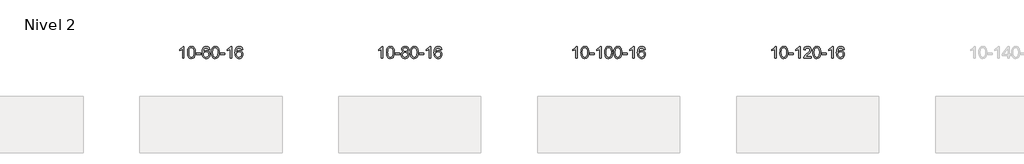
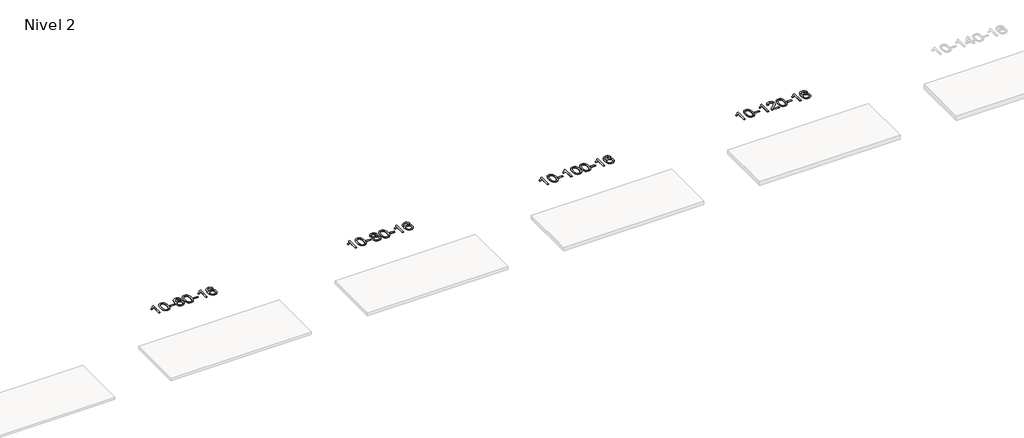
# One storey, part 49 of 51: 4 proxies.
"""IFC4 building model written with IfcOpenShell, lengths in millimetres."""

from ifc_helpers import new_model, si_unit, frame, origin, place, context, project, spatial, polyline, outline, extrude, element, save

model = new_model("IFC4")

# Units and contexts
model_context = context("Model", 3, world=origin())
ifc_project = project(units=[si_unit("LENGTHUNIT", "METRE", prefix="MILLI")], contexts=[model_context])

# Site, building, storey
site = spatial("IfcSite", under=ifc_project)
building = spatial("IfcBuilding", under=site)
storey = spatial("IfcBuildingStorey", under=building, Name="Nivel 2", Elevation=3000.0)

# Proxies
placement = place(None, origin())
element("IfcBuildingElementProxy", 1, Name="Texto de modelo 1", ObjectType="Texto de modelo 1", at=placement, inside=storey, context=model_context, shape_type="SweptSolid", body=[
    extrude(outline(polyline([(4824.6154698, 6619.2174648), (4774.3873148, 6619.2174648), (4774.3873148, 6932.3586191), (4753.418041, 6915.3992591), (4726.80791, 6898.4644246), (4673.9310046, 6873.1050924), (4673.9310046, 6920.5863952), (4713.3802172, 6942.0461783), (4747.5564546, 6967.5771887), (4774.4976794, 6994.72688), (4792.2418543, 7021.0427054), (4824.6154698, 7021.0427054), (4824.6154698, 6619.2174648)])), frame((0.0, 0.0, 3000.0), z_axis=(0.0, 0.0, 1.0), x_axis=(1.0, 0.0, 0.0)), (0.0, 0.0, 1.0), 10.0),
    extrude(outline(polyline([(4943.9073381, 6816.8927235), (4947.5984208, 6881.210759), (4958.6716689, 6932.5057719), (4977.0167177, 6971.562577), (4988.8747807, 6986.7959573), (5002.5232027, 6999.1659894), (5018.007969, 7008.7370526), (5035.3750649, 7015.5735264), (5075.7562452, 7021.0427054), (5106.7073837, 7017.8053438), (5134.4211607, 7008.0932591), (5157.5977264, 6992.2865961), (5174.9372311, 6970.7654994), (5188.0338301, 6943.71391), (5198.4816788, 6911.3157689), (5205.3242839, 6870.1742991), (5207.6051523, 6816.8927235), (5203.9508578, 6752.94257), (5192.9879743, 6701.7701845), (5174.7532901, 6662.6765911), (5162.9228183, 6647.3972256), (5149.2835933, 6634.9628142), (5133.7804329, 6625.3273716), (5116.3581547, 6618.4449126), (5075.7562452, 6612.9389454), (5048.0915192, 6615.3301783), (5023.5660528, 6622.5038773), (5002.1798462, 6634.4600421), (4983.9328992, 6651.1986729), (4966.4217162, 6681.456967), (4953.9137284, 6719.1587401), (4946.4089357, 6764.3039923), (4943.9073381, 6816.8927235)]), holes=[polyline([(4994.1354932, 6816.9908254), (4995.6070212, 6773.3262982), (5000.0216051, 6737.9820355), (5007.379245, 6710.9580373), (5017.6799409, 6692.2543035), (5030.1388778, 6679.5286522), (5043.9712408, 6670.4389012), (5059.17703, 6664.9850506), (5075.7562452, 6663.1671005), (5092.3354605, 6664.991182), (5107.5412496, 6670.4634267), (5121.3736126, 6679.5838345), (5133.8325495, 6692.3524054), (5144.1332454, 6711.086796), (5151.4908853, 6738.1046629), (5155.9054692, 6773.406006), (5157.3769972, 6816.9908254), (5155.9545202, 6859.4995899), (5151.687089, 6894.2215189), (5144.5747038, 6921.1566123), (5134.6173644, 6940.3048702), (5122.366894, 6953.6528552), (5108.3751154, 6963.1871303), (5092.6420288, 6968.9076953), (5075.167634, 6970.8145503), (5058.6742579, 6969.1345558), (5043.7259862, 6964.0945725), (5030.3228188, 6955.6946003), (5018.4647558, 6943.9346392), (5007.8207034, 6923.0879928), (5000.2178089, 6894.9818083), (4995.6560721, 6859.6160859), (4994.1354932, 6816.9908254)])]), frame((0.0, 0.0, 3000.0), z_axis=(0.0, 0.0, 1.0), x_axis=(1.0, 0.0, 0.0)), (0.0, 0.0, 1.0), 10.0),
    extrude(outline(polyline([(5238.9977492, 6738.5093331), (5238.9977492, 6788.7374881), (5395.9607338, 6788.7374881), (5395.9607338, 6738.5093331), (5238.9977492, 6738.5093331)])), frame((0.0, 0.0, 3000.0), z_axis=(0.0, 0.0, 1.0), x_axis=(1.0, 0.0, 0.0)), (0.0, 0.0, 1.0), 10.0),
    extrude(outline(polyline([(5697.3296643, 6914.3078758), (5647.1015092, 6908.0293564), (5639.0081053, 6932.9227048), (5628.0697473, 6949.918853), (5605.2855891, 6965.590626), (5577.7434904, 6970.8145503), (5554.3952464, 6967.7733925), (5532.4204286, 6958.649919), (5513.5480822, 6939.4342161), (5498.1338266, 6912.9835006), (5487.7227661, 6875.5699017), (5483.8600052, 6823.4655485), (5504.0076758, 6846.973208), (5528.1529974, 6863.5401605), (5554.9470694, 6873.3626098), (5583.0409911, 6876.6367595), (5607.17405, 6874.3988107), (5629.4431734, 6867.6849643), (5649.8483614, 6856.4952203), (5668.389614, 6840.8295787), (5683.7977382, 6821.6200071), (5694.8035412, 6799.7984735), (5701.407023, 6775.3649776), (5703.6081836, 6748.3195196), (5699.4633798, 6712.3529232), (5687.0289684, 6679.0105517), (5667.3350189, 6650.732689), (5641.411601, 6629.959619), (5610.435937, 6617.1941138), (5575.5852493, 6612.9389454), (5545.6427206, 6615.759374), (5518.6003283, 6624.2206599), (5494.4580723, 6638.322803), (5473.2159528, 6658.0658035), (5455.8979079, 6684.283527), (5443.5278758, 6717.8098395), (5436.1058565, 6758.6447409), (5433.6318501, 6806.7882314), (5436.3787023, 6860.7626514), (5444.619259, 6906.8276086), (5458.3535202, 6944.9831029), (5477.5814858, 6975.2291342), (5498.4220008, 6995.2725716), (5522.5857165, 7009.5893126), (5550.072633, 7018.1793572), (5580.88275, 7021.0427054), (5604.0163962, 7019.2707404), (5624.9550131, 7013.9548456), (5643.6986007, 7005.0950209), (5660.2471591, 6992.6912663), (5674.1530986, 6977.1605147), (5684.9688292, 6958.9196991), (5692.6943511, 6937.9688195), (5697.3296643, 6914.3078758)]), holes=[polyline([(5483.8600052, 6749.1043345), (5486.7662729, 6726.8474738), (5495.4850762, 6705.5961572), (5509.0231337, 6687.3246848), (5526.3871638, 6674.0073566), (5547.3441748, 6665.8771645), (5571.6611747, 6663.1671005), (5604.8073425, 6668.7834322), (5618.7224789, 6675.803847), (5630.8656505, 6685.6324276), (5640.7156909, 6697.8706353), (5647.751434, 6712.1199313), (5653.3800286, 6746.6517879), (5647.8250104, 6779.7979557), (5640.8812378, 6793.4187865), (5631.1599561, 6805.0714487), (5618.9799963, 6814.4064544), (5604.6601897, 6821.0743155), (5569.6010355, 6826.4086044), (5536.5039187, 6821.0743155), (5508.8269299, 6805.0714487), (5497.9039004, 6793.5720707), (5490.1017364, 6780.4110923), (5485.420438, 6765.5885136), (5483.8600052, 6749.1043345)])]), frame((0.0, 0.0, 3000.0), z_axis=(0.0, 0.0, 1.0), x_axis=(1.0, 0.0, 0.0)), (0.0, 0.0, 1.0), 10.0),
    extrude(outline(polyline([(5747.5578193, 6816.8927235), (5751.248902, 6881.210759), (5762.3221501, 6932.5057719), (5780.6671989, 6971.562577), (5792.5252619, 6986.7959573), (5806.1736839, 6999.1659894), (5821.6584502, 7008.7370526), (5839.0255461, 7015.5735264), (5879.4067264, 7021.0427054), (5910.3578649, 7017.8053438), (5938.0716419, 7008.0932591), (5961.2482076, 6992.2865961), (5978.5877123, 6970.7654994), (5991.6843113, 6943.71391), (6002.13216, 6911.3157689), (6008.9747651, 6870.1742991), (6011.2556335, 6816.8927235), (6007.601339, 6752.94257), (5996.6384555, 6701.7701845), (5978.4037713, 6662.6765911), (5966.5732995, 6647.3972256), (5952.9340745, 6634.9628142), (5937.4309141, 6625.3273716), (5920.0086359, 6618.4449126), (5879.4067264, 6612.9389454), (5851.7420004, 6615.3301783), (5827.216534, 6622.5038773), (5805.8303274, 6634.4600421), (5787.5833804, 6651.1986729), (5770.0721974, 6681.456967), (5757.5642096, 6719.1587401), (5750.0594169, 6764.3039923), (5747.5578193, 6816.8927235)]), holes=[polyline([(5797.7859744, 6816.9908254), (5799.2575024, 6773.3262982), (5803.6720863, 6737.9820355), (5811.0297262, 6710.9580373), (5821.3304221, 6692.2543035), (5833.789359, 6679.5286522), (5847.621722, 6670.4389012), (5862.8275112, 6664.9850506), (5879.4067264, 6663.1671005), (5895.9859417, 6664.991182), (5911.1917308, 6670.4634267), (5925.0240938, 6679.5838345), (5937.4830307, 6692.3524054), (5947.7837266, 6711.086796), (5955.1413665, 6738.1046629), (5959.5559504, 6773.406006), (5961.0274784, 6816.9908254), (5959.6050014, 6859.4995899), (5955.3375702, 6894.2215189), (5948.225185, 6921.1566123), (5938.2678456, 6940.3048702), (5926.0173752, 6953.6528552), (5912.0255966, 6963.1871303), (5896.29251, 6968.9076953), (5878.8181152, 6970.8145503), (5862.3247391, 6969.1345558), (5847.3764674, 6964.0945725), (5833.9733, 6955.6946003), (5822.115237, 6943.9346392), (5811.4711846, 6923.0879928), (5803.8682901, 6894.9818083), (5799.3065533, 6859.6160859), (5797.7859744, 6816.9908254)])]), frame((0.0, 0.0, 3000.0), z_axis=(0.0, 0.0, 1.0), x_axis=(1.0, 0.0, 0.0)), (0.0, 0.0, 1.0), 10.0),
    extrude(outline(polyline([(6042.6482304, 6738.5093331), (6042.6482304, 6788.7374881), (6199.611215, 6788.7374881), (6199.611215, 6738.5093331), (6042.6482304, 6738.5093331)])), frame((0.0, 0.0, 3000.0), z_axis=(0.0, 0.0, 1.0), x_axis=(1.0, 0.0, 0.0)), (0.0, 0.0, 1.0), 10.0),
    extrude(outline(polyline([(6431.9164322, 6619.2174648), (6381.6882771, 6619.2174648), (6381.6882771, 6932.3586191), (6360.7190034, 6915.3992591), (6334.1088724, 6898.4644246), (6281.231967, 6873.1050924), (6281.231967, 6920.5863952), (6320.6811796, 6942.0461783), (6354.857417, 6967.5771887), (6381.7986417, 6994.72688), (6399.5428166, 7021.0427054), (6431.9164322, 7021.0427054), (6431.9164322, 6619.2174648)])), frame((0.0, 0.0, 3000.0), z_axis=(0.0, 0.0, 1.0), x_axis=(1.0, 0.0, 0.0)), (0.0, 0.0, 1.0), 10.0),
    extrude(outline(polyline([(6808.6275953, 6914.3078758), (6758.3994402, 6908.0293564), (6750.3060363, 6932.9227048), (6739.3676783, 6949.918853), (6716.5835201, 6965.590626), (6689.0414214, 6970.8145503), (6665.6931774, 6967.7733925), (6643.7183596, 6958.649919), (6624.8460132, 6939.4342161), (6609.4317576, 6912.9835006), (6599.0206972, 6875.5699017), (6595.1579362, 6823.4655485), (6615.3056068, 6846.973208), (6639.4509284, 6863.5401605), (6666.2450004, 6873.3626098), (6694.3389221, 6876.6367595), (6718.471981, 6874.3988107), (6740.7411044, 6867.6849643), (6761.1462924, 6856.4952203), (6779.687545, 6840.8295787), (6795.0956692, 6821.6200071), (6806.1014723, 6799.7984735), (6812.7049541, 6775.3649776), (6814.9061147, 6748.3195196), (6810.7613109, 6712.3529232), (6798.3268994, 6679.0105517), (6778.6329499, 6650.732689), (6752.709532, 6629.959619), (6721.733868, 6617.1941138), (6686.8831803, 6612.9389454), (6656.9406516, 6615.759374), (6629.8982593, 6624.2206599), (6605.7560034, 6638.322803), (6584.5138838, 6658.0658035), (6567.1958389, 6684.283527), (6554.8258068, 6717.8098395), (6547.4037876, 6758.6447409), (6544.9297811, 6806.7882314), (6547.6766334, 6860.7626514), (6555.9171901, 6906.8276086), (6569.6514512, 6944.9831029), (6588.8794168, 6975.2291342), (6609.7199319, 6995.2725716), (6633.8836476, 7009.5893126), (6661.370564, 7018.1793572), (6692.1806811, 7021.0427054), (6715.3143272, 7019.2707404), (6736.2529441, 7013.9548456), (6754.9965318, 7005.0950209), (6771.5450902, 6992.6912663), (6785.4510296, 6977.1605147), (6796.2667602, 6958.9196991), (6803.9922821, 6937.9688195), (6808.6275953, 6914.3078758)]), holes=[polyline([(6595.1579362, 6749.1043345), (6598.064204, 6726.8474738), (6606.7830073, 6705.5961572), (6620.3210647, 6687.3246848), (6637.6850949, 6674.0073566), (6658.6421059, 6665.8771645), (6682.9591057, 6663.1671005), (6716.1052735, 6668.7834322), (6730.02041, 6675.803847), (6742.1635815, 6685.6324276), (6752.0136219, 6697.8706353), (6759.0493651, 6712.1199313), (6764.6779596, 6746.6517879), (6759.1229415, 6779.7979557), (6752.1791688, 6793.4187865), (6742.4578871, 6805.0714487), (6730.2779274, 6814.4064544), (6715.9581207, 6821.0743155), (6680.8989666, 6826.4086044), (6647.8018497, 6821.0743155), (6620.124861, 6805.0714487), (6609.2018314, 6793.5720707), (6601.3996674, 6780.4110923), (6596.718369, 6765.5885136), (6595.1579362, 6749.1043345)])]), frame((0.0, 0.0, 3000.0), z_axis=(0.0, 0.0, 1.0), x_axis=(1.0, 0.0, 0.0)), (0.0, 0.0, 1.0), 10.0),
])
element("IfcBuildingElementProxy", 2, Name="Texto de modelo 1", ObjectType="Texto de modelo 1", at=placement, inside=storey, context=model_context, shape_type="SweptSolid", body=[
    extrude(outline(polyline([(11539.5560047, 6619.2174648), (11489.3278496, 6619.2174648), (11489.3278496, 6932.3586191), (11468.3585759, 6915.3992591), (11441.7484449, 6898.4644246), (11388.8715394, 6873.1050924), (11388.8715394, 6920.5863952), (11428.320752, 6942.0461783), (11462.4969894, 6967.5771887), (11489.4382142, 6994.72688), (11507.1823891, 7021.0427054), (11539.5560047, 7021.0427054), (11539.5560047, 6619.2174648)])), frame((0.0, 0.0, 3000.0), z_axis=(0.0, 0.0, 1.0), x_axis=(1.0, 0.0, 0.0)), (0.0, 0.0, 1.0), 10.0),
    extrude(outline(polyline([(11658.847873, 6816.8927235), (11662.5389556, 6881.210759), (11673.6122037, 6932.5057719), (11691.9572525, 6971.562577), (11703.8153155, 6986.7959573), (11717.4637375, 6999.1659894), (11732.9485038, 7008.7370526), (11750.3155997, 7015.5735264), (11790.69678, 7021.0427054), (11821.6479186, 7017.8053438), (11849.3616955, 7008.0932591), (11872.5382612, 6992.2865961), (11889.8777659, 6970.7654994), (11902.974365, 6943.71391), (11913.4222136, 6911.3157689), (11920.2648187, 6870.1742991), (11922.5456871, 6816.8927235), (11918.8913926, 6752.94257), (11907.9285092, 6701.7701845), (11889.6938249, 6662.6765911), (11877.8633531, 6647.3972256), (11864.2241281, 6634.9628142), (11848.7209677, 6625.3273716), (11831.2986896, 6618.4449126), (11790.69678, 6612.9389454), (11763.032054, 6615.3301783), (11738.5065876, 6622.5038773), (11717.120381, 6634.4600421), (11698.873434, 6651.1986729), (11681.3622511, 6681.456967), (11668.8542632, 6719.1587401), (11661.3494705, 6764.3039923), (11658.847873, 6816.8927235)]), holes=[polyline([(11709.076028, 6816.9908254), (11710.547556, 6773.3262982), (11714.96214, 6737.9820355), (11722.3197799, 6710.9580373), (11732.6204757, 6692.2543035), (11745.0794126, 6679.5286522), (11758.9117756, 6670.4389012), (11774.1175648, 6664.9850506), (11790.69678, 6663.1671005), (11807.2759953, 6664.991182), (11822.4817844, 6670.4634267), (11836.3141474, 6679.5838345), (11848.7730843, 6692.3524054), (11859.0737802, 6711.086796), (11866.4314201, 6738.1046629), (11870.846004, 6773.406006), (11872.317532, 6816.9908254), (11870.895055, 6859.4995899), (11866.6276238, 6894.2215189), (11859.5152386, 6921.1566123), (11849.5578993, 6940.3048702), (11837.3074288, 6953.6528552), (11823.3156503, 6963.1871303), (11807.5825636, 6968.9076953), (11790.1081688, 6970.8145503), (11773.6147927, 6969.1345558), (11758.666521, 6964.0945725), (11745.2633536, 6955.6946003), (11733.4052906, 6943.9346392), (11722.7612383, 6923.0879928), (11715.1583437, 6894.9818083), (11710.5966069, 6859.6160859), (11709.076028, 6816.9908254)])]), frame((0.0, 0.0, 3000.0), z_axis=(0.0, 0.0, 1.0), x_axis=(1.0, 0.0, 0.0)), (0.0, 0.0, 1.0), 10.0),
    extrude(outline(polyline([(11953.938284, 6738.5093331), (11953.938284, 6788.7374881), (12110.9012686, 6788.7374881), (12110.9012686, 6738.5093331), (11953.938284, 6738.5093331)])), frame((0.0, 0.0, 3000.0), z_axis=(0.0, 0.0, 1.0), x_axis=(1.0, 0.0, 0.0)), (0.0, 0.0, 1.0), 10.0),
    extrude(outline(polyline([(12228.0348959, 6840.5352731), (12201.142722, 6853.7790249), (12182.2703757, 6871.7316663), (12171.1235512, 6894.0253152), (12167.4079431, 6920.2920896), (12169.4312941, 6940.7769854), (12175.501347, 6959.5573612), (12185.6181019, 6976.6332172), (12199.7815587, 6992.0045532), (12217.3111357, 7004.7087448), (12237.5262514, 7013.7831673), (12260.4269056, 7019.2278209), (12286.0130983, 7021.0427054), (12311.7219184, 7019.1849013), (12334.7942509, 7013.6114891), (12355.2300957, 7004.3224687), (12373.0294529, 6991.3178402), (12387.4504271, 6975.6460672), (12397.751123, 6958.3556134), (12403.9315405, 6939.4464788), (12405.9916797, 6918.9186635), (12402.3251225, 6893.4980176), (12391.3254508, 6871.5845135), (12372.8700374, 6853.7422367), (12346.8362549, 6840.5352731), (12377.7506052, 6824.6059827), (12400.2527206, 6801.1473741), (12413.974719, 6771.2876188), (12418.5487185, 6736.1548883), (12416.2801128, 6711.1021244), (12409.4742959, 6688.1340252), (12398.1312677, 6667.2505906), (12382.2510283, 6648.4518206), (12362.6674434, 6632.9149377), (12340.214379, 6621.8171642), (12314.891835, 6615.1585001), (12286.6998114, 6612.9389454), (12258.5077878, 6615.1676971), (12233.1852438, 6621.8539524), (12210.7321794, 6632.9977112), (12191.1485945, 6648.5989734), (12175.2683551, 6667.5295678), (12163.9253269, 6688.6613227), (12157.11951, 6711.9942383), (12154.8509043, 6737.5283144), (12159.6088448, 6774.0222083), (12173.8826662, 6804.0413791), (12196.9366046, 6826.5557572), (12228.0348959, 6840.5352731)]), holes=[polyline([(12217.6360982, 6918.8205616), (12222.0874703, 6896.8947947), (12235.4415867, 6879.3836118), (12257.30604, 6867.9056935), (12287.2884226, 6864.0797208), (12316.5718294, 6867.881168), (12338.1051889, 6879.2855099), (12351.3489407, 6896.2080817), (12355.7635246, 6916.5642187), (12351.2017879, 6937.692908), (12337.5165777, 6955.1673028), (12315.6889126, 6966.9027384), (12286.6998114, 6970.8145503), (12257.5267692, 6966.9885775), (12235.7358923, 6955.5106593), (12222.1610467, 6938.6861894), (12217.6360982, 6918.8205616)]), polyline([(12205.0790594, 6739.294148), (12207.1759868, 6720.0784451), (12213.4667689, 6701.4758789), (12225.0795772, 6685.2522829), (12243.1425832, 6673.1734907), (12264.7740445, 6665.668698), (12287.0922189, 6663.1671005), (12321.2807189, 6668.427813), (12335.1743956, 6675.0037036), (12346.9343567, 6684.2099506), (12362.9740117, 6708.1100175), (12368.3205634, 6737.7245181), (12362.8023335, 6767.8417908), (12346.2476437, 6792.2691553), (12334.1688515, 6801.7114598), (12320.0053947, 6808.4559631), (12285.4244871, 6813.8515657), (12251.7142337, 6808.5295395), (12237.9769068, 6801.8770067), (12226.3181133, 6792.5634609), (12210.3888229, 6768.6020803), (12205.0790594, 6739.294148)])]), frame((0.0, 0.0, 3000.0), z_axis=(0.0, 0.0, 1.0), x_axis=(1.0, 0.0, 0.0)), (0.0, 0.0, 1.0), 10.0),
    extrude(outline(polyline([(12462.4983542, 6816.8927235), (12466.1894368, 6881.210759), (12477.2626849, 6932.5057719), (12495.6077337, 6971.562577), (12507.4657967, 6986.7959573), (12521.1142187, 6999.1659894), (12536.598985, 7008.7370526), (12553.9660809, 7015.5735264), (12594.3472612, 7021.0427054), (12625.2983998, 7017.8053438), (12653.0121767, 7008.0932591), (12676.1887424, 6992.2865961), (12693.5282471, 6970.7654994), (12706.6248462, 6943.71391), (12717.0726948, 6911.3157689), (12723.9152999, 6870.1742991), (12726.1961683, 6816.8927235), (12722.5418738, 6752.94257), (12711.5789904, 6701.7701845), (12693.3443061, 6662.6765911), (12681.5138343, 6647.3972256), (12667.8746093, 6634.9628142), (12652.3714489, 6625.3273716), (12634.9491708, 6618.4449126), (12594.3472612, 6612.9389454), (12566.6825352, 6615.3301783), (12542.1570688, 6622.5038773), (12520.7708622, 6634.4600421), (12502.5239152, 6651.1986729), (12485.0127323, 6681.456967), (12472.5047444, 6719.1587401), (12464.9999517, 6764.3039923), (12462.4983542, 6816.8927235)]), holes=[polyline([(12512.7265092, 6816.9908254), (12514.1980372, 6773.3262982), (12518.6126212, 6737.9820355), (12525.9702611, 6710.9580373), (12536.2709569, 6692.2543035), (12548.7298938, 6679.5286522), (12562.5622568, 6670.4389012), (12577.768046, 6664.9850506), (12594.3472612, 6663.1671005), (12610.9264765, 6664.991182), (12626.1322656, 6670.4634267), (12639.9646286, 6679.5838345), (12652.4235655, 6692.3524054), (12662.7242614, 6711.086796), (12670.0819013, 6738.1046629), (12674.4964852, 6773.406006), (12675.9680132, 6816.9908254), (12674.5455362, 6859.4995899), (12670.278105, 6894.2215189), (12663.1657198, 6921.1566123), (12653.2083805, 6940.3048702), (12640.95791, 6953.6528552), (12626.9661315, 6963.1871303), (12611.2330448, 6968.9076953), (12593.75865, 6970.8145503), (12577.2652739, 6969.1345558), (12562.3170022, 6964.0945725), (12548.9138348, 6955.6946003), (12537.0557718, 6943.9346392), (12526.4117194, 6923.0879928), (12518.8088249, 6894.9818083), (12514.2470881, 6859.6160859), (12512.7265092, 6816.9908254)])]), frame((0.0, 0.0, 3000.0), z_axis=(0.0, 0.0, 1.0), x_axis=(1.0, 0.0, 0.0)), (0.0, 0.0, 1.0), 10.0),
    extrude(outline(polyline([(12757.5887652, 6738.5093331), (12757.5887652, 6788.7374881), (12914.5517498, 6788.7374881), (12914.5517498, 6738.5093331), (12757.5887652, 6738.5093331)])), frame((0.0, 0.0, 3000.0), z_axis=(0.0, 0.0, 1.0), x_axis=(1.0, 0.0, 0.0)), (0.0, 0.0, 1.0), 10.0),
    extrude(outline(polyline([(13146.856967, 6619.2174648), (13096.628812, 6619.2174648), (13096.628812, 6932.3586191), (13075.6595382, 6915.3992591), (13049.0494073, 6898.4644246), (12996.1725018, 6873.1050924), (12996.1725018, 6920.5863952), (13035.6217144, 6942.0461783), (13069.7979518, 6967.5771887), (13096.7391766, 6994.72688), (13114.4833515, 7021.0427054), (13146.856967, 7021.0427054), (13146.856967, 6619.2174648)])), frame((0.0, 0.0, 3000.0), z_axis=(0.0, 0.0, 1.0), x_axis=(1.0, 0.0, 0.0)), (0.0, 0.0, 1.0), 10.0),
    extrude(outline(polyline([(13523.5681301, 6914.3078758), (13473.339975, 6908.0293564), (13465.2465711, 6932.9227048), (13454.3082132, 6949.918853), (13431.5240549, 6965.590626), (13403.9819562, 6970.8145503), (13380.6337123, 6967.7733925), (13358.6588944, 6958.649919), (13339.7865481, 6939.4342161), (13324.3722925, 6912.9835006), (13313.961232, 6875.5699017), (13310.098471, 6823.4655485), (13330.2461416, 6846.973208), (13354.3914633, 6863.5401605), (13381.1855352, 6873.3626098), (13409.2794569, 6876.6367595), (13433.4125158, 6874.3988107), (13455.6816393, 6867.6849643), (13476.0868273, 6856.4952203), (13494.6280798, 6840.8295787), (13510.0362041, 6821.6200071), (13521.0420071, 6799.7984735), (13527.6454889, 6775.3649776), (13529.8466495, 6748.3195196), (13525.7018457, 6712.3529232), (13513.2674342, 6679.0105517), (13493.5734848, 6650.732689), (13467.6500668, 6629.959619), (13436.6744028, 6617.1941138), (13401.8237152, 6612.9389454), (13371.8811864, 6615.759374), (13344.8387941, 6624.2206599), (13320.6965382, 6638.322803), (13299.4544186, 6658.0658035), (13282.1363737, 6684.283527), (13269.7663416, 6717.8098395), (13262.3443224, 6758.6447409), (13259.870316, 6806.7882314), (13262.6171682, 6860.7626514), (13270.8577249, 6906.8276086), (13284.591986, 6944.9831029), (13303.8199517, 6975.2291342), (13324.6604667, 6995.2725716), (13348.8241824, 7009.5893126), (13376.3110988, 7018.1793572), (13407.1212159, 7021.0427054), (13430.254862, 7019.2707404), (13451.1934789, 7013.9548456), (13469.9370666, 7005.0950209), (13486.485625, 6992.6912663), (13500.3915644, 6977.1605147), (13511.2072951, 6958.9196991), (13518.932817, 6937.9688195), (13523.5681301, 6914.3078758)]), holes=[polyline([(13310.098471, 6749.1043345), (13313.0047388, 6726.8474738), (13321.7235421, 6705.5961572), (13335.2615995, 6687.3246848), (13352.6256297, 6674.0073566), (13373.5826407, 6665.8771645), (13397.8996406, 6663.1671005), (13431.0458083, 6668.7834322), (13444.9609448, 6675.803847), (13457.1041163, 6685.6324276), (13466.9541567, 6697.8706353), (13473.9898999, 6712.1199313), (13479.6184944, 6746.6517879), (13474.0634763, 6779.7979557), (13467.1197036, 6793.4187865), (13457.3984219, 6805.0714487), (13445.2184622, 6814.4064544), (13430.8986555, 6821.0743155), (13395.8395014, 6826.4086044), (13362.7423846, 6821.0743155), (13335.0653958, 6805.0714487), (13324.1423662, 6793.5720707), (13316.3402022, 6780.4110923), (13311.6589038, 6765.5885136), (13310.098471, 6749.1043345)])]), frame((0.0, 0.0, 3000.0), z_axis=(0.0, 0.0, 1.0), x_axis=(1.0, 0.0, 0.0)), (0.0, 0.0, 1.0), 10.0),
])
element("IfcBuildingElementProxy", 3, Name="Texto de modelo 1", ObjectType="Texto de modelo 1", at=placement, inside=storey, context=model_context, shape_type="SweptSolid", body=[
    extrude(outline(polyline([(18100.6728146, 6619.2174648), (18050.4446595, 6619.2174648), (18050.4446595, 6932.3586191), (18029.4753858, 6915.3992591), (18002.8652548, 6898.4644246), (17949.9883493, 6873.1050924), (17949.9883493, 6920.5863952), (17989.437562, 6942.0461783), (18023.6137993, 6967.5771887), (18050.5550241, 6994.72688), (18068.299199, 7021.0427054), (18100.6728146, 7021.0427054), (18100.6728146, 6619.2174648)])), frame((0.0, 0.0, 3000.0), z_axis=(0.0, 0.0, 1.0), x_axis=(1.0, 0.0, 0.0)), (0.0, 0.0, 1.0), 10.0),
    extrude(outline(polyline([(18219.9646829, 6816.8927235), (18223.6557656, 6881.210759), (18234.7290136, 6932.5057719), (18253.0740624, 6971.562577), (18264.9321254, 6986.7959573), (18278.5805474, 6999.1659894), (18294.0653137, 7008.7370526), (18311.4324096, 7015.5735264), (18351.8135899, 7021.0427054), (18382.7647285, 7017.8053438), (18410.4785054, 7008.0932591), (18433.6550711, 6992.2865961), (18450.9945758, 6970.7654994), (18464.0911749, 6943.71391), (18474.5390235, 6911.3157689), (18481.3816286, 6870.1742991), (18483.662497, 6816.8927235), (18480.0082025, 6752.94257), (18469.0453191, 6701.7701845), (18450.8106348, 6662.6765911), (18438.980163, 6647.3972256), (18425.340938, 6634.9628142), (18409.8377776, 6625.3273716), (18392.4154995, 6618.4449126), (18351.8135899, 6612.9389454), (18324.1488639, 6615.3301783), (18299.6233976, 6622.5038773), (18278.2371909, 6634.4600421), (18259.9902439, 6651.1986729), (18242.479061, 6681.456967), (18229.9710731, 6719.1587401), (18222.4662804, 6764.3039923), (18219.9646829, 6816.8927235)]), holes=[polyline([(18270.1928379, 6816.9908254), (18271.6643659, 6773.3262982), (18276.0789499, 6737.9820355), (18283.4365898, 6710.9580373), (18293.7372856, 6692.2543035), (18306.1962225, 6679.5286522), (18320.0285856, 6670.4389012), (18335.2343747, 6664.9850506), (18351.8135899, 6663.1671005), (18368.3928052, 6664.991182), (18383.5985943, 6670.4634267), (18397.4309573, 6679.5838345), (18409.8898942, 6692.3524054), (18420.1905901, 6711.086796), (18427.54823, 6738.1046629), (18431.962814, 6773.406006), (18433.4343419, 6816.9908254), (18432.0118649, 6859.4995899), (18427.7444337, 6894.2215189), (18420.6320485, 6921.1566123), (18410.6747092, 6940.3048702), (18398.4242387, 6953.6528552), (18384.4324602, 6963.1871303), (18368.6993735, 6968.9076953), (18351.2249787, 6970.8145503), (18334.7316026, 6969.1345558), (18319.7833309, 6964.0945725), (18306.3801635, 6955.6946003), (18294.5221006, 6943.9346392), (18283.8780482, 6923.0879928), (18276.2751536, 6894.9818083), (18271.7134169, 6859.6160859), (18270.1928379, 6816.9908254)])]), frame((0.0, 0.0, 3000.0), z_axis=(0.0, 0.0, 1.0), x_axis=(1.0, 0.0, 0.0)), (0.0, 0.0, 1.0), 10.0),
    extrude(outline(polyline([(18515.0550939, 6738.5093331), (18515.0550939, 6788.7374881), (18672.0180785, 6788.7374881), (18672.0180785, 6738.5093331), (18515.0550939, 6738.5093331)])), frame((0.0, 0.0, 3000.0), z_axis=(0.0, 0.0, 1.0), x_axis=(1.0, 0.0, 0.0)), (0.0, 0.0, 1.0), 10.0),
    extrude(outline(polyline([(18904.3232958, 6619.2174648), (18854.0951407, 6619.2174648), (18854.0951407, 6932.3586191), (18833.125867, 6915.3992591), (18806.515736, 6898.4644246), (18753.6388305, 6873.1050924), (18753.6388305, 6920.5863952), (18793.0880432, 6942.0461783), (18827.2642805, 6967.5771887), (18854.2055053, 6994.72688), (18871.9496802, 7021.0427054), (18904.3232958, 7021.0427054), (18904.3232958, 6619.2174648)])), frame((0.0, 0.0, 3000.0), z_axis=(0.0, 0.0, 1.0), x_axis=(1.0, 0.0, 0.0)), (0.0, 0.0, 1.0), 10.0),
    extrude(outline(polyline([(19023.6151641, 6816.8927235), (19027.3062467, 6881.210759), (19038.3794948, 6932.5057719), (19056.7245436, 6971.562577), (19068.5826066, 6986.7959573), (19082.2310286, 6999.1659894), (19097.7157949, 7008.7370526), (19115.0828908, 7015.5735264), (19155.4640711, 7021.0427054), (19186.4152097, 7017.8053438), (19214.1289866, 7008.0932591), (19237.3055523, 6992.2865961), (19254.645057, 6970.7654994), (19267.7416561, 6943.71391), (19278.1895047, 6911.3157689), (19285.0321098, 6870.1742991), (19287.3129782, 6816.8927235), (19283.6586837, 6752.94257), (19272.6958003, 6701.7701845), (19254.461116, 6662.6765911), (19242.6306442, 6647.3972256), (19228.9914192, 6634.9628142), (19213.4882588, 6625.3273716), (19196.0659807, 6618.4449126), (19155.4640711, 6612.9389454), (19127.7993451, 6615.3301783), (19103.2738788, 6622.5038773), (19081.8876721, 6634.4600421), (19063.6407251, 6651.1986729), (19046.1295422, 6681.456967), (19033.6215543, 6719.1587401), (19026.1167616, 6764.3039923), (19023.6151641, 6816.8927235)]), holes=[polyline([(19073.8433191, 6816.9908254), (19075.3148471, 6773.3262982), (19079.7294311, 6737.9820355), (19087.087071, 6710.9580373), (19097.3877668, 6692.2543035), (19109.8467037, 6679.5286522), (19123.6790668, 6670.4389012), (19138.8848559, 6664.9850506), (19155.4640711, 6663.1671005), (19172.0432864, 6664.991182), (19187.2490755, 6670.4634267), (19201.0814385, 6679.5838345), (19213.5403754, 6692.3524054), (19223.8410713, 6711.086796), (19231.1987112, 6738.1046629), (19235.6132951, 6773.406006), (19237.0848231, 6816.9908254), (19235.6623461, 6859.4995899), (19231.3949149, 6894.2215189), (19224.2825297, 6921.1566123), (19214.3251904, 6940.3048702), (19202.0747199, 6953.6528552), (19188.0829414, 6963.1871303), (19172.3498547, 6968.9076953), (19154.8754599, 6970.8145503), (19138.3820838, 6969.1345558), (19123.4338121, 6964.0945725), (19110.0306447, 6955.6946003), (19098.1725818, 6943.9346392), (19087.5285294, 6923.0879928), (19079.9256348, 6894.9818083), (19075.3638981, 6859.6160859), (19073.8433191, 6816.9908254)])]), frame((0.0, 0.0, 3000.0), z_axis=(0.0, 0.0, 1.0), x_axis=(1.0, 0.0, 0.0)), (0.0, 0.0, 1.0), 10.0),
    extrude(outline(polyline([(19331.2626139, 6816.8927235), (19334.9536966, 6881.210759), (19346.0269446, 6932.5057719), (19364.3719935, 6971.562577), (19376.2300564, 6986.7959573), (19389.8784785, 6999.1659894), (19405.3632448, 7008.7370526), (19422.7303406, 7015.5735264), (19463.111521, 7021.0427054), (19494.0626595, 7017.8053438), (19521.7764365, 7008.0932591), (19544.9530022, 6992.2865961), (19562.2925069, 6970.7654994), (19575.3891059, 6943.71391), (19585.8369546, 6911.3157689), (19592.6795597, 6870.1742991), (19594.960428, 6816.8927235), (19591.3061336, 6752.94257), (19580.3432501, 6701.7701845), (19562.1085659, 6662.6765911), (19550.278094, 6647.3972256), (19536.6388691, 6634.9628142), (19521.1357087, 6625.3273716), (19503.7134305, 6618.4449126), (19463.111521, 6612.9389454), (19435.4467949, 6615.3301783), (19410.9213286, 6622.5038773), (19389.5351219, 6634.4600421), (19371.288175, 6651.1986729), (19353.776992, 6681.456967), (19341.2690042, 6719.1587401), (19333.7642115, 6764.3039923), (19331.2626139, 6816.8927235)]), holes=[polyline([(19381.490769, 6816.9908254), (19382.962297, 6773.3262982), (19387.3768809, 6737.9820355), (19394.7345208, 6710.9580373), (19405.0352167, 6692.2543035), (19417.4941536, 6679.5286522), (19431.3265166, 6670.4389012), (19446.5323057, 6664.9850506), (19463.111521, 6663.1671005), (19479.6907362, 6664.991182), (19494.8965254, 6670.4634267), (19508.7288884, 6679.5838345), (19521.1878253, 6692.3524054), (19531.4885211, 6711.086796), (19538.846161, 6738.1046629), (19543.260745, 6773.406006), (19544.732273, 6816.9908254), (19543.3097959, 6859.4995899), (19539.0423648, 6894.2215189), (19531.9299795, 6921.1566123), (19521.9726402, 6940.3048702), (19509.7221698, 6953.6528552), (19495.7303912, 6963.1871303), (19479.9973045, 6968.9076953), (19462.5229098, 6970.8145503), (19446.0295337, 6969.1345558), (19431.0812619, 6964.0945725), (19417.6780946, 6955.6946003), (19405.8200316, 6943.9346392), (19395.1759792, 6923.0879928), (19387.5730846, 6894.9818083), (19383.0113479, 6859.6160859), (19381.490769, 6816.9908254)])]), frame((0.0, 0.0, 3000.0), z_axis=(0.0, 0.0, 1.0), x_axis=(1.0, 0.0, 0.0)), (0.0, 0.0, 1.0), 10.0),
    extrude(outline(polyline([(19626.353025, 6738.5093331), (19626.353025, 6788.7374881), (19783.3160096, 6788.7374881), (19783.3160096, 6738.5093331), (19626.353025, 6738.5093331)])), frame((0.0, 0.0, 3000.0), z_axis=(0.0, 0.0, 1.0), x_axis=(1.0, 0.0, 0.0)), (0.0, 0.0, 1.0), 10.0),
    extrude(outline(polyline([(20015.6212268, 6619.2174648), (19965.3930717, 6619.2174648), (19965.3930717, 6932.3586191), (19944.423798, 6915.3992591), (19917.813667, 6898.4644246), (19864.9367616, 6873.1050924), (19864.9367616, 6920.5863952), (19904.3859742, 6942.0461783), (19938.5622115, 6967.5771887), (19965.5034363, 6994.72688), (19983.2476112, 7021.0427054), (20015.6212268, 7021.0427054), (20015.6212268, 6619.2174648)])), frame((0.0, 0.0, 3000.0), z_axis=(0.0, 0.0, 1.0), x_axis=(1.0, 0.0, 0.0)), (0.0, 0.0, 1.0), 10.0),
    extrude(outline(polyline([(20392.3323899, 6914.3078758), (20342.1042348, 6908.0293564), (20334.0108309, 6932.9227048), (20323.0724729, 6949.918853), (20300.2883147, 6965.590626), (20272.746216, 6970.8145503), (20249.397972, 6967.7733925), (20227.4231541, 6958.649919), (20208.5508078, 6939.4342161), (20193.1365522, 6912.9835006), (20182.7254917, 6875.5699017), (20178.8627308, 6823.4655485), (20199.0104014, 6846.973208), (20223.155723, 6863.5401605), (20249.949795, 6873.3626098), (20278.0437167, 6876.6367595), (20302.1767756, 6874.3988107), (20324.445899, 6867.6849643), (20344.851087, 6856.4952203), (20363.3923396, 6840.8295787), (20378.8004638, 6821.6200071), (20389.8062668, 6799.7984735), (20396.4097486, 6775.3649776), (20398.6109092, 6748.3195196), (20394.4661054, 6712.3529232), (20382.031694, 6679.0105517), (20362.3377445, 6650.732689), (20336.4143266, 6629.959619), (20305.4386626, 6617.1941138), (20270.5879749, 6612.9389454), (20240.6454462, 6615.759374), (20213.6030539, 6624.2206599), (20189.4607979, 6638.322803), (20168.2186784, 6658.0658035), (20150.9006335, 6684.283527), (20138.5306014, 6717.8098395), (20131.1085821, 6758.6447409), (20128.6345757, 6806.7882314), (20131.3814279, 6860.7626514), (20139.6219846, 6906.8276086), (20153.3562458, 6944.9831029), (20172.5842114, 6975.2291342), (20193.4247264, 6995.2725716), (20217.5884421, 7009.5893126), (20245.0753585, 7018.1793572), (20275.8854756, 7021.0427054), (20299.0191218, 7019.2707404), (20319.9577387, 7013.9548456), (20338.7013263, 7005.0950209), (20355.2498847, 6992.6912663), (20369.1558242, 6977.1605147), (20379.9715548, 6958.9196991), (20387.6970767, 6937.9688195), (20392.3323899, 6914.3078758)]), holes=[polyline([(20178.8627308, 6749.1043345), (20181.7689985, 6726.8474738), (20190.4878018, 6705.5961572), (20204.0258593, 6687.3246848), (20221.3898894, 6674.0073566), (20242.3469004, 6665.8771645), (20266.6639003, 6663.1671005), (20299.8100681, 6668.7834322), (20313.7252045, 6675.803847), (20325.8683761, 6685.6324276), (20335.7184165, 6697.8706353), (20342.7541596, 6712.1199313), (20348.3827542, 6746.6517879), (20342.827736, 6779.7979557), (20335.8839634, 6793.4187865), (20326.1626817, 6805.0714487), (20313.9827219, 6814.4064544), (20299.6629153, 6821.0743155), (20264.6037611, 6826.4086044), (20231.5066443, 6821.0743155), (20203.8296555, 6805.0714487), (20192.9066259, 6793.5720707), (20185.104462, 6780.4110923), (20180.4231636, 6765.5885136), (20178.8627308, 6749.1043345)])]), frame((0.0, 0.0, 3000.0), z_axis=(0.0, 0.0, 1.0), x_axis=(1.0, 0.0, 0.0)), (0.0, 0.0, 1.0), 10.0),
])
element("IfcBuildingElementProxy", 4, Name="Texto de modelo 1", ObjectType="Texto de modelo 1", at=placement, inside=storey, context=model_context, shape_type="SweptSolid", body=[
    extrude(outline(polyline([(24815.6133494, 6619.2174648), (24765.3851943, 6619.2174648), (24765.3851943, 6932.3586191), (24744.4159206, 6915.3992591), (24717.8057896, 6898.4644246), (24664.9288842, 6873.1050924), (24664.9288842, 6920.5863952), (24704.3780968, 6942.0461783), (24738.5543341, 6967.5771887), (24765.4955589, 6994.72688), (24783.2397338, 7021.0427054), (24815.6133494, 7021.0427054), (24815.6133494, 6619.2174648)])), frame((0.0, 0.0, 3000.0), z_axis=(0.0, 0.0, 1.0), x_axis=(1.0, 0.0, 0.0)), (0.0, 0.0, 1.0), 10.0),
    extrude(outline(polyline([(24934.9052177, 6816.8927235), (24938.5963004, 6881.210759), (24949.6695484, 6932.5057719), (24968.0145973, 6971.562577), (24979.8726602, 6986.7959573), (24993.5210823, 6999.1659894), (25009.0058486, 7008.7370526), (25026.3729444, 7015.5735264), (25066.7541248, 7021.0427054), (25097.7052633, 7017.8053438), (25125.4190403, 7008.0932591), (25148.595606, 6992.2865961), (25165.9351107, 6970.7654994), (25179.0317097, 6943.71391), (25189.4795584, 6911.3157689), (25196.3221635, 6870.1742991), (25198.6030318, 6816.8927235), (25194.9487373, 6752.94257), (25183.9858539, 6701.7701845), (25165.7511697, 6662.6765911), (25153.9206978, 6647.3972256), (25140.2814729, 6634.9628142), (25124.7783125, 6625.3273716), (25107.3560343, 6618.4449126), (25066.7541248, 6612.9389454), (25039.0893987, 6615.3301783), (25014.5639324, 6622.5038773), (24993.1777257, 6634.4600421), (24974.9307788, 6651.1986729), (24957.4195958, 6681.456967), (24944.911608, 6719.1587401), (24937.4068153, 6764.3039923), (24934.9052177, 6816.8927235)]), holes=[polyline([(24985.1333728, 6816.9908254), (24986.6049007, 6773.3262982), (24991.0194847, 6737.9820355), (24998.3771246, 6710.9580373), (25008.6778205, 6692.2543035), (25021.1367574, 6679.5286522), (25034.9691204, 6670.4389012), (25050.1749095, 6664.9850506), (25066.7541248, 6663.1671005), (25083.33334, 6664.991182), (25098.5391291, 6670.4634267), (25112.3714922, 6679.5838345), (25124.8304291, 6692.3524054), (25135.1311249, 6711.086796), (25142.4887648, 6738.1046629), (25146.9033488, 6773.406006), (25148.3748768, 6816.9908254), (25146.9523997, 6859.4995899), (25142.6849686, 6894.2215189), (25135.5725833, 6921.1566123), (25125.615244, 6940.3048702), (25113.3647736, 6953.6528552), (25099.372995, 6963.1871303), (25083.6399083, 6968.9076953), (25066.1655136, 6970.8145503), (25049.6721375, 6969.1345558), (25034.7238657, 6964.0945725), (25021.3206984, 6955.6946003), (25009.4626354, 6943.9346392), (24998.818583, 6923.0879928), (24991.2156884, 6894.9818083), (24986.6539517, 6859.6160859), (24985.1333728, 6816.9908254)])]), frame((0.0, 0.0, 3000.0), z_axis=(0.0, 0.0, 1.0), x_axis=(1.0, 0.0, 0.0)), (0.0, 0.0, 1.0), 10.0),
    extrude(outline(polyline([(25229.9956288, 6738.5093331), (25229.9956288, 6788.7374881), (25386.9586134, 6788.7374881), (25386.9586134, 6738.5093331), (25229.9956288, 6738.5093331)])), frame((0.0, 0.0, 3000.0), z_axis=(0.0, 0.0, 1.0), x_axis=(1.0, 0.0, 0.0)), (0.0, 0.0, 1.0), 10.0),
    extrude(outline(polyline([(25619.2638306, 6619.2174648), (25569.0356755, 6619.2174648), (25569.0356755, 6932.3586191), (25548.0664018, 6915.3992591), (25521.4562708, 6898.4644246), (25468.5793654, 6873.1050924), (25468.5793654, 6920.5863952), (25508.028578, 6942.0461783), (25542.2048153, 6967.5771887), (25569.1460401, 6994.72688), (25586.890215, 7021.0427054), (25619.2638306, 7021.0427054), (25619.2638306, 6619.2174648)])), frame((0.0, 0.0, 3000.0), z_axis=(0.0, 0.0, 1.0), x_axis=(1.0, 0.0, 0.0)), (0.0, 0.0, 1.0), 10.0),
    extrude(outline(polyline([(25995.9749936, 6669.4456198), (25995.9749936, 6619.2174648), (25732.2771795, 6619.2174648), (25733.3808255, 6636.900326), (25737.6727821, 6653.8474232), (25750.0581426, 6680.9112754), (25768.1824622, 6707.1657871), (25794.4001858, 6734.6465721), (25831.0657579, 6765.3892442), (25885.2670386, 6813.5327346), (25917.7878069, 6849.0701353), (25934.0481911, 6877.9120838), (25939.4683192, 6905.9692173), (25934.3547595, 6931.120083), (25919.0140803, 6952.0280431), (25895.4328444, 6966.1179235), (25865.5976146, 6970.8145503), (25834.2663313, 6966.2282881), (25809.924806, 6952.4695015), (25794.2162448, 6930.6173109), (25788.783854, 6901.7508371), (25738.5556989, 6908.0293564), (25742.8752466, 6933.9589057), (25750.7325929, 6956.6143053), (25762.1277377, 6975.9955551), (25777.060681, 6992.1026551), (25795.1880664, 7004.7639271), (25816.1665371, 7013.8076928), (25839.9960934, 7019.2339522), (25866.6767351, 7021.0427054), (25893.5965001, 7019.0316171), (25917.554815, 7012.9983524), (25938.5516799, 7002.9429112), (25956.5870947, 6988.8652935), (25971.0724483, 6971.8078317), (25981.4191294, 6952.812858), (25987.627138, 6931.8803725), (25989.6964743, 6909.0103751), (25987.4646568, 6884.9876808), (25980.7692045, 6861.3819195), (25968.8866161, 6837.3714879), (25951.0933902, 6812.134783), (25922.7296884, 6782.0052476), (25879.135672, 6743.3163245), (25821.3536733, 6695.0011558), (25798.6921424, 6669.4456198), (25995.9749936, 6669.4456198)])), frame((0.0, 0.0, 3000.0), z_axis=(0.0, 0.0, 1.0), x_axis=(1.0, 0.0, 0.0)), (0.0, 0.0, 1.0), 10.0),
    extrude(outline(polyline([(26046.2031487, 6816.8927235), (26049.8942314, 6881.210759), (26060.9674795, 6932.5057719), (26079.3125283, 6971.562577), (26091.1705913, 6986.7959573), (26104.8190133, 6999.1659894), (26120.3037796, 7008.7370526), (26137.6708755, 7015.5735264), (26178.0520558, 7021.0427054), (26209.0031943, 7017.8053438), (26236.7169713, 7008.0932591), (26259.893537, 6992.2865961), (26277.2330417, 6970.7654994), (26290.3296407, 6943.71391), (26300.7774894, 6911.3157689), (26307.6200945, 6870.1742991), (26309.9009629, 6816.8927235), (26306.2466684, 6752.94257), (26295.2837849, 6701.7701845), (26277.0491007, 6662.6765911), (26265.2186289, 6647.3972256), (26251.5794039, 6634.9628142), (26236.0762435, 6625.3273716), (26218.6539653, 6618.4449126), (26178.0520558, 6612.9389454), (26150.3873298, 6615.3301783), (26125.8618634, 6622.5038773), (26104.4756568, 6634.4600421), (26086.2287098, 6651.1986729), (26068.7175268, 6681.456967), (26056.209539, 6719.1587401), (26048.7047463, 6764.3039923), (26046.2031487, 6816.8927235)]), holes=[polyline([(26096.4313038, 6816.9908254), (26097.9028318, 6773.3262982), (26102.3174157, 6737.9820355), (26109.6750556, 6710.9580373), (26119.9757515, 6692.2543035), (26132.4346884, 6679.5286522), (26146.2670514, 6670.4389012), (26161.4728405, 6664.9850506), (26178.0520558, 6663.1671005), (26194.631271, 6664.991182), (26209.8370602, 6670.4634267), (26223.6694232, 6679.5838345), (26236.1283601, 6692.3524054), (26246.429056, 6711.086796), (26253.7866959, 6738.1046629), (26258.2012798, 6773.406006), (26259.6728078, 6816.9908254), (26258.2503307, 6859.4995899), (26253.9828996, 6894.2215189), (26246.8705144, 6921.1566123), (26236.913175, 6940.3048702), (26224.6627046, 6953.6528552), (26210.670926, 6963.1871303), (26194.9378394, 6968.9076953), (26177.4634446, 6970.8145503), (26160.9700685, 6969.1345558), (26146.0217967, 6964.0945725), (26132.6186294, 6955.6946003), (26120.7605664, 6943.9346392), (26110.116514, 6923.0879928), (26102.5136194, 6894.9818083), (26097.9518827, 6859.6160859), (26096.4313038, 6816.9908254)])]), frame((0.0, 0.0, 3000.0), z_axis=(0.0, 0.0, 1.0), x_axis=(1.0, 0.0, 0.0)), (0.0, 0.0, 1.0), 10.0),
    extrude(outline(polyline([(26341.2935598, 6738.5093331), (26341.2935598, 6788.7374881), (26498.2565444, 6788.7374881), (26498.2565444, 6738.5093331), (26341.2935598, 6738.5093331)])), frame((0.0, 0.0, 3000.0), z_axis=(0.0, 0.0, 1.0), x_axis=(1.0, 0.0, 0.0)), (0.0, 0.0, 1.0), 10.0),
    extrude(outline(polyline([(26730.5617616, 6619.2174648), (26680.3336065, 6619.2174648), (26680.3336065, 6932.3586191), (26659.3643328, 6915.3992591), (26632.7542018, 6898.4644246), (26579.8772964, 6873.1050924), (26579.8772964, 6920.5863952), (26619.326509, 6942.0461783), (26653.5027464, 6967.5771887), (26680.4439711, 6994.72688), (26698.188146, 7021.0427054), (26730.5617616, 7021.0427054), (26730.5617616, 6619.2174648)])), frame((0.0, 0.0, 3000.0), z_axis=(0.0, 0.0, 1.0), x_axis=(1.0, 0.0, 0.0)), (0.0, 0.0, 1.0), 10.0),
    extrude(outline(polyline([(27107.2729247, 6914.3078758), (27057.0447696, 6908.0293564), (27048.9513657, 6932.9227048), (27038.0130077, 6949.918853), (27015.2288495, 6965.590626), (26987.6867508, 6970.8145503), (26964.3385068, 6967.7733925), (26942.363689, 6958.649919), (26923.4913426, 6939.4342161), (26908.077087, 6912.9835006), (26897.6660266, 6875.5699017), (26893.8032656, 6823.4655485), (26913.9509362, 6846.973208), (26938.0962578, 6863.5401605), (26964.8903298, 6873.3626098), (26992.9842515, 6876.6367595), (27017.1173104, 6874.3988107), (27039.3864338, 6867.6849643), (27059.7916218, 6856.4952203), (27078.3328744, 6840.8295787), (27093.7409986, 6821.6200071), (27104.7468016, 6799.7984735), (27111.3502835, 6775.3649776), (27113.5514441, 6748.3195196), (27109.4066402, 6712.3529232), (27096.9722288, 6679.0105517), (27077.2782793, 6650.732689), (27051.3548614, 6629.959619), (27020.3791974, 6617.1941138), (26985.5285097, 6612.9389454), (26955.585981, 6615.759374), (26928.5435887, 6624.2206599), (26904.4013328, 6638.322803), (26883.1592132, 6658.0658035), (26865.8411683, 6684.283527), (26853.4711362, 6717.8098395), (26846.0491169, 6758.6447409), (26843.5751105, 6806.7882314), (26846.3219628, 6860.7626514), (26854.5625195, 6906.8276086), (26868.2967806, 6944.9831029), (26887.5247462, 6975.2291342), (26908.3652612, 6995.2725716), (26932.528977, 7009.5893126), (26960.0158934, 7018.1793572), (26990.8260105, 7021.0427054), (27013.9596566, 7019.2707404), (27034.8982735, 7013.9548456), (27053.6418611, 7005.0950209), (27070.1904196, 6992.6912663), (27084.096359, 6977.1605147), (27094.9120896, 6958.9196991), (27102.6376115, 6937.9688195), (27107.2729247, 6914.3078758)]), holes=[polyline([(26893.8032656, 6749.1043345), (26896.7095334, 6726.8474738), (26905.4283367, 6705.5961572), (26918.9663941, 6687.3246848), (26936.3304242, 6674.0073566), (26957.2874352, 6665.8771645), (26981.6044351, 6663.1671005), (27014.7506029, 6668.7834322), (27028.6657394, 6675.803847), (27040.8089109, 6685.6324276), (27050.6589513, 6697.8706353), (27057.6946945, 6712.1199313), (27063.323289, 6746.6517879), (27057.7682709, 6779.7979557), (27050.8244982, 6793.4187865), (27041.1032165, 6805.0714487), (27028.9232568, 6814.4064544), (27014.6034501, 6821.0743155), (26979.5442959, 6826.4086044), (26946.4471791, 6821.0743155), (26918.7701903, 6805.0714487), (26907.8471608, 6793.5720707), (26900.0449968, 6780.4110923), (26895.3636984, 6765.5885136), (26893.8032656, 6749.1043345)])]), frame((0.0, 0.0, 3000.0), z_axis=(0.0, 0.0, 1.0), x_axis=(1.0, 0.0, 0.0)), (0.0, 0.0, 1.0), 10.0),
])

save(model, "model.ifc")
